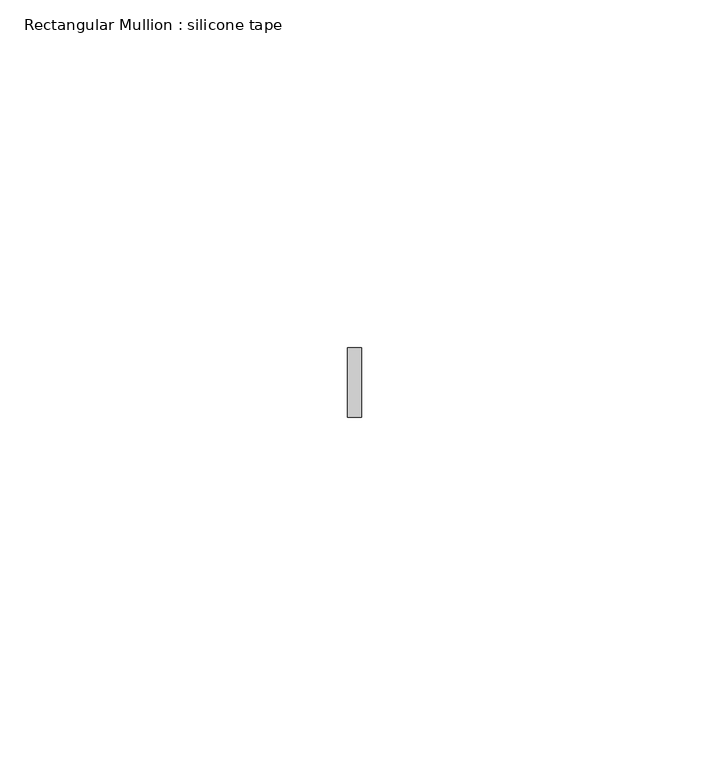
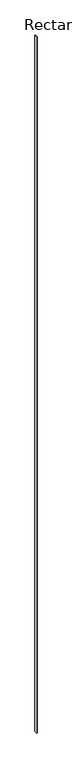
"""IFC4 building model written with IfcOpenShell, lengths in millimetres: member geometry, Rectangular Mullion : silicone tape."""

from ifc_helpers import new_model, si_unit, frame, origin, place, context, project, spatial, polyline, outline, extrude, source, transform, mapped, element, save


def rectangular_mullion_silicone_tape_14a871a1(model_context):
    return source(origin(), model_context, "Body", "SweptSolid", [
        extrude(outline(polyline([(-2.0, 5.0), (0.0, 5.0), (0.0, -5.0), (-2.0, -5.0), (-2.0, 5.0)])), frame((0.0, 0.0, -2640.0000015), z_axis=(0.0, 0.0, 1.0), x_axis=(1.0, 0.0, 0.0)), (0.0, 0.0, 1.0), 2640.0000015),
    ])


if __name__ == "__main__":
    model = new_model("IFC4")
    model_context = context("Model", 3, world=origin())
    ifc_project = project(units=[si_unit("LENGTHUNIT", "METRE", prefix="MILLI")], contexts=[model_context])
    site = spatial("IfcSite", under=ifc_project)
    building = spatial("IfcBuilding", under=site)
    placement = place(None, origin())
    rectangular_mullion_silicone_tape_shape = rectangular_mullion_silicone_tape_14a871a1(model_context)
    element("IfcMember", 1, ObjectType="Rectangular Mullion : silicone tape", at=placement, inside=building, context=model_context, shape_type="MappedRepresentation", body=[
        mapped(rectangular_mullion_silicone_tape_shape, transform((0.0, 0.0, 0.0), x_axis=(1.0, 0.0, 0.0), y_axis=(0.0, 1.0, 0.0), z_axis=(0.0, 0.0, 1.0))),
    ])
    save(model, "model.ifc")
